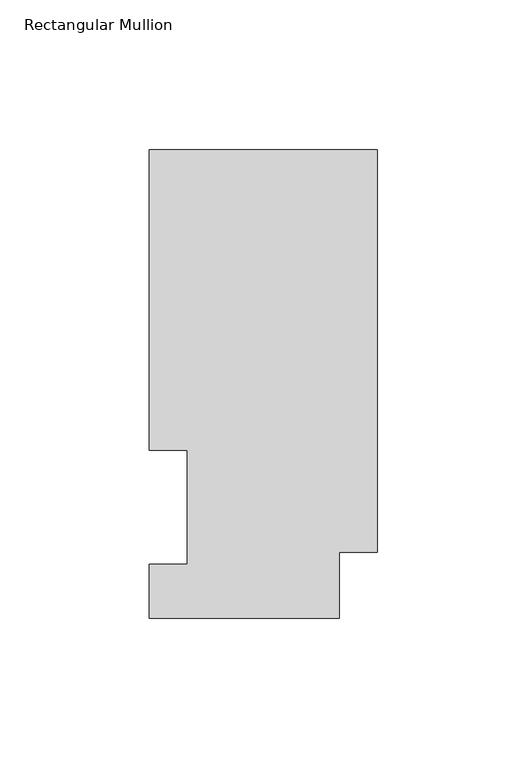
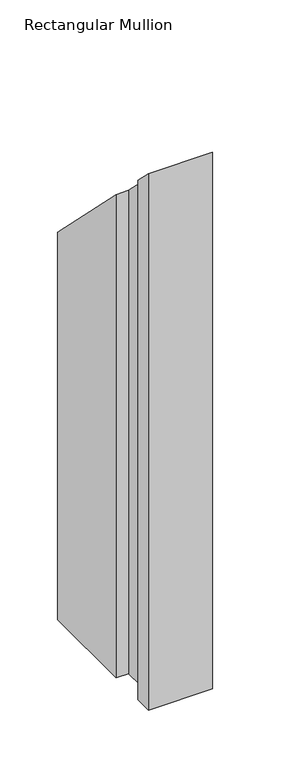
"""IFC4 building model written with IfcOpenShell, lengths in millimetres: member geometry, Rectangular Mullion."""

from ifc_helpers import new_model, si_unit, origin, place, context, project, spatial, faceted_brep, source, transform, mapped, element, save


def rectangular_mullion_5465f591(model_context):
    return source(origin(), model_context, "Body", "Brep", [
        faceted_brep([(0.0, 157.3397822, -565.6460937), (0.0, 22.6195299, -565.6460937), (-12.7, 22.6195299, -565.6460937), (-12.7, 0.5199062, -565.6460937), (-76.2, 0.5199062, -565.6460937), (-76.2, 18.5539062, -565.6460937), (-63.5762, 18.5539062, -565.6460937), (-63.5762, 56.6539063, -565.6460937), (-76.2, 56.6539062, -565.6460937), (-76.2, 157.3397822, -565.6460937), (-76.2, 157.3397822, -157.3397822), (0.0, 157.3397822, -157.3397822), (-76.2, 56.6539062, -56.6539063), (-63.5762, 56.6539063, -56.6539063), (-63.5762, 18.5539062, -18.5539062), (-76.2, 18.5539062, -18.5539062), (-76.2, 0.5199062, -0.5199062), (-12.7, 0.5199062, -0.5199062), (-12.7, 22.6195299, -22.6195299), (0.0, 22.6195299, -22.6195299)], [[[0, 1, 2, 3, 4, 5, 6, 7, 8, 9]], [[10, 11, 0, 9]], [[12, 10, 9, 8]], [[13, 12, 8, 7]], [[14, 13, 7, 6]], [[15, 14, 6, 5]], [[16, 15, 5, 4]], [[17, 16, 4, 3]], [[18, 17, 3, 2]], [[19, 18, 2, 1]], [[11, 19, 1, 0]], [[11, 10, 12, 13, 14, 15, 16, 17, 18, 19]]]),
    ])


if __name__ == "__main__":
    model = new_model("IFC4")
    model_context = context("Model", 3, world=origin())
    ifc_project = project(units=[si_unit("LENGTHUNIT", "METRE", prefix="MILLI")], contexts=[model_context])
    site = spatial("IfcSite", under=ifc_project)
    building = spatial("IfcBuilding", under=site)
    placement = place(None, origin())
    rectangular_mullion_shape = rectangular_mullion_5465f591(model_context)
    element("IfcMember", 1, ObjectType="Rectangular Mullion", at=placement, inside=building, context=model_context, shape_type="MappedRepresentation", body=[
        mapped(rectangular_mullion_shape, transform((0.0, 0.0, 0.0), x_axis=(1.0, 0.0, 0.0), y_axis=(0.0, 1.0, 0.0), z_axis=(0.0, 0.0, 1.0))),
    ])
    save(model, "model.ifc")
